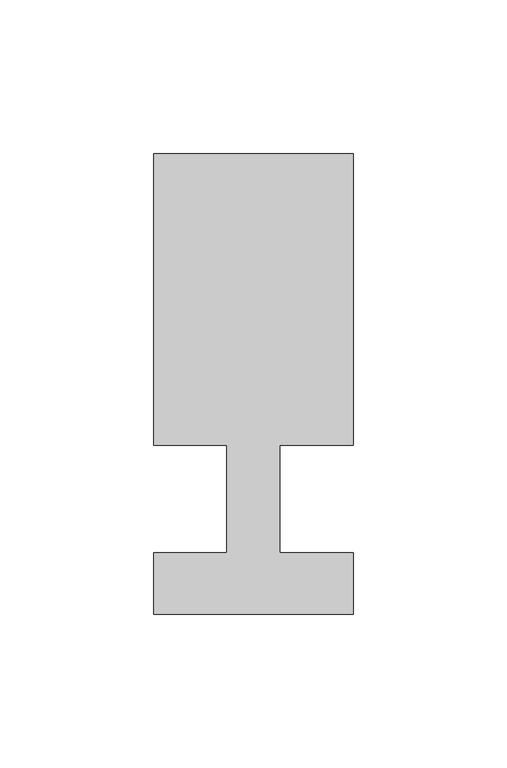
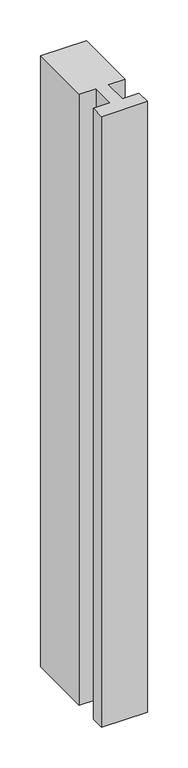
"""IFC4 building model written with IfcOpenShell, lengths in millimetres: member geometry."""

from ifc_helpers import new_model, si_unit, frame, origin, place, context, project, spatial, polyline, outline, extrude, source, transform, mapped, element, save


def member_f04f18f0(model_context):
    return source(origin(), model_context, "Body", "SweptSolid", [
        extrude(outline(polyline([(0.0, -37.0), (-65.0, -37.0), (-65.0, -17.0), (-41.1875, -17.0), (-41.1875, 18.0), (-65.0, 18.0), (-65.0, 113.0), (0.0, 113.0), (0.0, 18.0), (-23.8125, 18.0), (-23.8125, -17.0), (0.0, -17.0), (0.0, -37.0)])), frame((0.0, 0.0, -916.1875), z_axis=(0.0, 0.0, 1.0), x_axis=(1.0, 0.0, 0.0)), (0.0, 0.0, 1.0), 916.1875),
    ])


if __name__ == "__main__":
    model = new_model("IFC4")
    model_context = context("Model", 3, world=origin())
    ifc_project = project(units=[si_unit("LENGTHUNIT", "METRE", prefix="MILLI")], contexts=[model_context])
    site = spatial("IfcSite", under=ifc_project)
    building = spatial("IfcBuilding", under=site)
    placement = place(None, origin())
    member_shape = member_f04f18f0(model_context)
    element("IfcMember", 1, at=placement, inside=building, context=model_context, shape_type="MappedRepresentation", body=[
        mapped(member_shape, transform((0.0, 0.0, 0.0), x_axis=(1.0, 0.0, 0.0), y_axis=(0.0, 1.0, 0.0), z_axis=(0.0, 0.0, 1.0))),
    ])
    save(model, "model.ifc")
